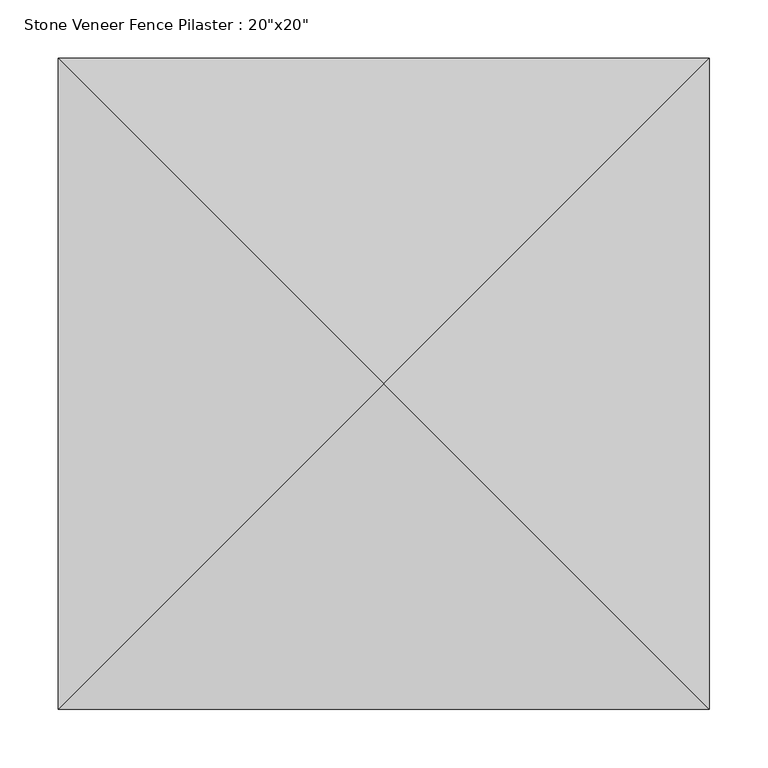
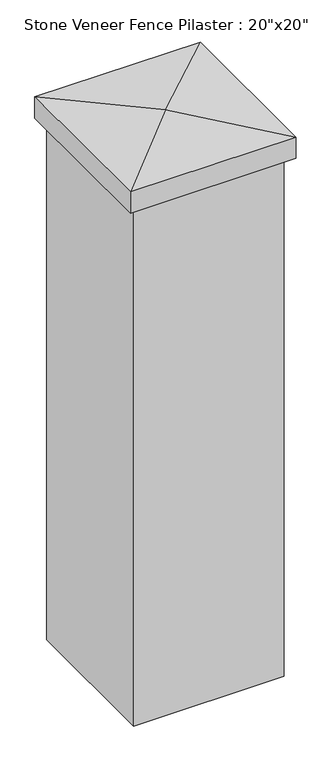
"""IFC4 building model written with IfcOpenShell, lengths in millimetres: column geometry."""

from ifc_helpers import new_model, si_unit, frame, origin, place, context, project, spatial, polyline, outline, extrude, faceted_brep, source, transform, mapped, element, save


def column_74405177(model_context):
    return source(origin(), model_context, "Body", "SolidModel", [
        extrude(outline(polyline([(254.0, 254.0), (254.0, -254.0), (-254.0, -254.0), (-254.0, 254.0), (254.0, 254.0)]), holes=[polyline([(203.2, 203.2), (-203.2, 203.2), (-203.2, -203.2), (203.2, -203.2), (203.2, 203.2)])]), frame((0.0, 0.0, -762.0), z_axis=(0.0, 0.0, 1.0), x_axis=(1.0, 0.0, 0.0)), (0.0, 0.0, 1.0), 1854.2),
        faceted_brep([(-279.4, 279.4, 1092.2), (279.4, 279.4, 1092.2), (279.4, -279.4, 1092.2), (-279.4, -279.4, 1092.2), (-279.4, -279.4, 1168.4), (-279.4, 279.4, 1168.4), (279.4, -279.4, 1168.4), (279.4, 279.4, 1168.4), (0.0, 0.0, 1193.8)], [[[0, 1, 2, 3]], [[0, 3, 4, 5]], [[3, 2, 6, 4]], [[2, 1, 7, 6]], [[1, 0, 5, 7]], [[5, 4, 8]], [[6, 7, 8]], [[4, 6, 8]], [[7, 5, 8]]]),
    ])


if __name__ == "__main__":
    model = new_model("IFC4")
    model_context = context("Model", 3, world=origin())
    ifc_project = project(units=[si_unit("LENGTHUNIT", "METRE", prefix="MILLI")], contexts=[model_context])
    site = spatial("IfcSite", under=ifc_project)
    building = spatial("IfcBuilding", under=site)
    placement = place(None, origin())
    column_shape = column_74405177(model_context)
    element("IfcColumn", 1, ObjectType="Stone Veneer Fence Pilaster : 20\"x20\"", at=placement, inside=building, context=model_context, shape_type="MappedRepresentation", body=[
        mapped(column_shape, transform((0.0, 0.0, 0.0), x_axis=(1.0, 0.0, 0.0), y_axis=(0.0, 1.0, 0.0), z_axis=(0.0, 0.0, 1.0))),
    ])
    save(model, "model.ifc")
